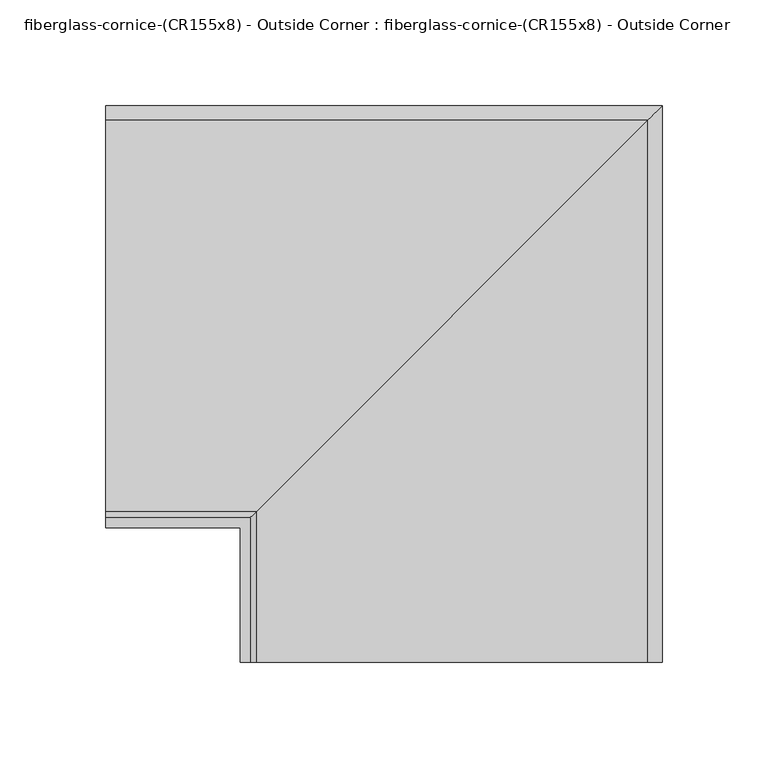
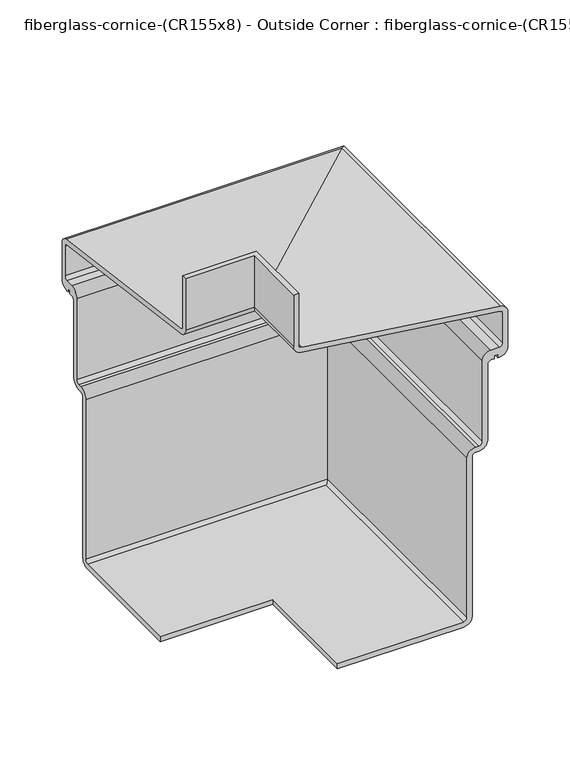
"""IFC4 building model written with IfcOpenShell, lengths in millimetres: furniture geometry, fiberglass-cornice-(CR155x8) - Outside Corner : fiberglass-cornice-(CR155x8) - Outside Corner."""

from ifc_helpers import new_model, si_unit, frame, origin, place, context, project, spatial, polyline, circle_curve, ellipse_curve, source, transform, mapped, element, save
from ifc_brep_helpers import plane_surface, cylinder_surface, revolved_surface, advanced_brep


def fiberglass_cornice_cr155x8_outside_corner_fiberglass_cornice_874af6c9(model_context):
    return source(origin(), model_context, "Body", "AdvancedBrep", [
        advanced_brep(
        [(-196.9488213, 106.4314646, 330.1999904), (-196.9488213, 106.4314646, 279.5805109), (-196.9488213, 109.1902045, 276.4329162), (-196.9488213, 294.2754054, 251.9559474), (-196.9488213, 301.2321781, 244.0185913), (-196.9488213, 301.2321781, 210.0445639), (-196.9488213, 293.2257136, 202.0380993), (-196.9488213, 291.5220546, 202.0380993), (-196.9488213, 291.5220546, 205.2130993), (-196.9488213, 288.5321781, 205.2130993), (-196.9488213, 288.5321781, 202.0380993), (-196.9488213, 285.3941826, 202.0380993), (-196.9488213, 282.2191826, 198.8630993), (-196.9488213, 282.2191826, 124.2598077), (-196.9488213, 274.212718, 116.2533432), (-196.9488213, 271.1066837, 116.2533432), (-196.9488213, 267.9316837, 113.0783432), (-196.9488213, 267.9316837, -43.9554119), (-196.9488213, 259.9252192, -51.9618765), (-196.9488213, 142.5191837, -51.9618765), (-196.9488213, 142.5191837, -47.1304119), (-196.9488213, 259.9252192, -47.1304119), (-196.9488213, 263.1002192, -43.9554119), (-196.9488213, 263.1002192, 113.0783432), (-196.9488213, 271.1066837, 121.0848077), (-196.9488213, 274.212718, 121.0848077), (-196.9488213, 277.387718, 124.2598077), (-196.9488213, 277.387718, 203.6945639), (-196.9488213, 285.3941826, 211.7010285), (-196.9488213, 293.2257136, 211.7010285), (-196.9488213, 296.4007136, 214.8760285), (-196.9488213, 296.4007136, 244.0185913), (-196.9488213, 293.6419736, 247.166186), (-196.9488213, 108.5567728, 271.6431548), (-196.9488213, 101.6, 279.5805109), (-196.9488213, 101.6, 330.1999904), (-128.518138, 38.0007813, 330.1999904), (-133.3496026, 38.0007813, 330.1999904), (-133.3496026, 38.0007813, 279.5805109), (-126.3928298, 38.0007813, 271.6431548), (58.692371, 38.0007813, 247.166186), (61.451111, 38.0007813, 244.0185913), (61.451111, 38.0007813, 214.8760285), (58.276111, 38.0007813, 211.7010285), (50.44458, 38.0007813, 211.7010285), (42.4381154, 38.0007813, 203.6945639), (42.4381154, 38.0007813, 124.2598077), (39.2631154, 38.0007813, 121.0848077), (36.1570811, 38.0007813, 121.0848077), (28.1506166, 38.0007813, 113.0783432), (28.1506166, 38.0007813, -43.9554119), (24.9756166, 38.0007813, -47.1304119), (-92.4304189, 38.0007813, -47.1304119), (-92.4304189, 38.0007813, -51.9618765), (24.9756166, 38.0007813, -51.9618765), (32.9820811, 38.0007813, -43.9554119), (32.9820811, 38.0007813, 113.0783432), (36.1570811, 38.0007813, 116.2533432), (39.2631154, 38.0007813, 116.2533432), (47.26958, 38.0007813, 124.2598077), (47.26958, 38.0007813, 198.8630993), (50.44458, 38.0007813, 202.0380993), (53.5825755, 38.0007813, 202.0380993), (53.5825755, 38.0007813, 205.2130993), (56.572452, 38.0007813, 205.2130993), (56.572452, 38.0007813, 202.0380993), (58.276111, 38.0007813, 202.0380993), (66.2825755, 38.0007813, 210.0445639), (66.2825755, 38.0007813, 244.0185913), (59.3258028, 38.0007813, 251.9559474), (-125.7593981, 38.0007813, 276.4329162), (-128.518138, 38.0007813, 279.5805109), (-128.518138, 106.4314646, 330.1999904), (-128.518138, 106.4314646, 279.5805109), (-125.7593981, 109.1902045, 276.4329162), (59.3258028, 294.2754054, 251.9559474), (66.2825755, 301.2321781, 244.0185913), (66.2825755, 301.2321781, 210.0445639), (58.276111, 293.2257136, 202.0380993), (56.572452, 291.5220546, 202.0380993), (56.572452, 291.5220546, 205.2130993), (53.5825755, 288.5321781, 205.2130993), (53.5825755, 288.5321781, 202.0380993), (50.44458, 285.3941826, 202.0380993), (47.26958, 282.2191826, 198.8630993), (47.26958, 282.2191826, 124.2598077), (39.2631154, 274.212718, 116.2533432), (36.1570811, 271.1066837, 116.2533432), (32.9820811, 267.9316837, 113.0783432), (32.9820811, 267.9316837, -43.9554119), (24.9756166, 259.9252192, -51.9618765), (-92.4304189, 142.5191837, -51.9618765), (-92.4304189, 142.5191837, -47.1304119), (24.9756166, 259.9252192, -47.1304119), (28.1506166, 263.1002192, -43.9554119), (28.1506166, 263.1002192, 113.0783432), (36.1570811, 271.1066837, 121.0848077), (39.2631154, 274.212718, 121.0848077), (42.4381154, 277.387718, 124.2598077), (42.4381154, 277.387718, 203.6945639), (50.44458, 285.3941826, 211.7010285), (58.276111, 293.2257136, 211.7010285), (61.451111, 296.4007136, 214.8760285), (61.451111, 296.4007136, 244.0185913), (58.692371, 293.6419736, 247.166186), (-126.3928298, 108.5567728, 271.6431548), (-133.3496026, 101.6, 279.5805109), (-133.3496026, 101.6, 330.1999904)],
        [
            (0, 1),
            (1, 2, circle_curve(frame((-196.9488213, 109.6064646, 279.5805109), z_axis=(1.0, 0.0, 0.0), x_axis=(0.0, 1.0, 0.0)), 3.175)),
            (2, 3),
            (3, 4, circle_curve(frame((-196.9488213, 293.2257136, 244.0185913), z_axis=(-1.0, 0.0, 0.0), x_axis=(0.0, 1.0, 0.0)), 8.0064646)),
            (4, 5),
            (5, 6, circle_curve(frame((-196.9488213, 293.2257136, 210.0445639), z_axis=(-1.0, 0.0, 0.0), x_axis=(0.0, 1.0, 0.0)), 8.0064646)),
            (6, 7),
            (7, 8),
            (8, 9),
            (9, 10),
            (10, 11),
            (11, 12, circle_curve(frame((-196.9488213, 285.3941826, 198.8630993), z_axis=(1.0, 0.0, 0.0), x_axis=(0.0, 1.0, 0.0)), 3.175)),
            (12, 13),
            (13, 14, circle_curve(frame((-196.9488213, 274.212718, 124.2598077), z_axis=(-1.0, 0.0, 0.0), x_axis=(0.0, 1.0, 0.0)), 8.0064646)),
            (14, 15),
            (15, 16, circle_curve(frame((-196.9488213, 271.1066837, 113.0783432), z_axis=(1.0, 0.0, 0.0), x_axis=(0.0, 1.0, 0.0)), 3.175)),
            (16, 17),
            (17, 18, circle_curve(frame((-196.9488213, 259.9252192, -43.9554119), z_axis=(-1.0, 0.0, 0.0), x_axis=(0.0, 1.0, 0.0)), 8.0064646)),
            (18, 19),
            (19, 20),
            (20, 21),
            (21, 22, circle_curve(frame((-196.9488213, 259.9252192, -43.9554119), z_axis=(1.0, 0.0, 0.0), x_axis=(0.0, 1.0, 0.0)), 3.175)),
            (22, 23),
            (23, 24, circle_curve(frame((-196.9488213, 271.1066837, 113.0783432), z_axis=(-1.0, 0.0, 0.0), x_axis=(0.0, 1.0, 0.0)), 8.0064646)),
            (24, 25),
            (25, 26, circle_curve(frame((-196.9488213, 274.212718, 124.2598077), z_axis=(1.0, 0.0, 0.0), x_axis=(0.0, 1.0, 0.0)), 3.175)),
            (26, 27),
            (27, 28, circle_curve(frame((-196.9488213, 285.3941826, 203.6945639), z_axis=(-1.0, 0.0, 0.0), x_axis=(0.0, 1.0, 0.0)), 8.0064646)),
            (28, 29),
            (29, 30, circle_curve(frame((-196.9488213, 293.2257136, 214.8760285), z_axis=(1.0, 0.0, 0.0), x_axis=(0.0, 1.0, 0.0)), 3.175)),
            (30, 31),
            (31, 32, circle_curve(frame((-196.9488213, 293.2257136, 244.0185913), z_axis=(1.0, 0.0, 0.0), x_axis=(0.0, 1.0, 0.0)), 3.175)),
            (32, 33),
            (33, 34, circle_curve(frame((-196.9488213, 109.6064646, 279.5805109), z_axis=(-1.0, 0.0, 0.0), x_axis=(0.0, 1.0, 0.0)), 8.0064646)),
            (34, 35),
            (35, 0),
            (36, 37),
            (37, 38),
            (38, 39, circle_curve(frame((-125.343138, 38.0007813, 279.5805109), z_axis=(0.0, -1.0, 0.0), x_axis=(1.0, 0.0, 0.0)), 8.0064646)),
            (39, 40),
            (40, 41, circle_curve(frame((58.276111, 38.0007813, 244.0185913), z_axis=(0.0, 1.0, 0.0), x_axis=(1.0, 0.0, 0.0)), 3.175)),
            (41, 42),
            (42, 43, circle_curve(frame((58.276111, 38.0007813, 214.8760285), z_axis=(0.0, 1.0, 0.0), x_axis=(1.0, 0.0, 0.0)), 3.175)),
            (43, 44),
            (44, 45, circle_curve(frame((50.44458, 38.0007813, 203.6945639), z_axis=(0.0, -1.0, 0.0), x_axis=(1.0, 0.0, 0.0)), 8.0064646)),
            (45, 46),
            (46, 47, circle_curve(frame((39.2631154, 38.0007813, 124.2598077), z_axis=(0.0, 1.0, 0.0), x_axis=(1.0, 0.0, 0.0)), 3.175)),
            (47, 48),
            (48, 49, circle_curve(frame((36.1570811, 38.0007813, 113.0783432), z_axis=(0.0, -1.0, 0.0), x_axis=(1.0, 0.0, 0.0)), 8.0064646)),
            (49, 50),
            (50, 51, circle_curve(frame((24.9756166, 38.0007813, -43.9554119), z_axis=(0.0, 1.0, 0.0), x_axis=(1.0, 0.0, 0.0)), 3.175)),
            (51, 52),
            (52, 53),
            (53, 54),
            (54, 55, circle_curve(frame((24.9756166, 38.0007813, -43.9554119), z_axis=(0.0, -1.0, 0.0), x_axis=(1.0, 0.0, 0.0)), 8.0064646)),
            (55, 56),
            (56, 57, circle_curve(frame((36.1570811, 38.0007813, 113.0783432), z_axis=(0.0, 1.0, 0.0), x_axis=(1.0, 0.0, 0.0)), 3.175)),
            (57, 58),
            (58, 59, circle_curve(frame((39.2631154, 38.0007813, 124.2598077), z_axis=(0.0, -1.0, 0.0), x_axis=(1.0, 0.0, 0.0)), 8.0064646)),
            (59, 60),
            (60, 61, circle_curve(frame((50.44458, 38.0007813, 198.8630993), z_axis=(0.0, 1.0, 0.0), x_axis=(1.0, 0.0, 0.0)), 3.175)),
            (61, 62),
            (62, 63),
            (63, 64),
            (64, 65),
            (65, 66),
            (66, 67, circle_curve(frame((58.276111, 38.0007813, 210.0445639), z_axis=(0.0, -1.0, 0.0), x_axis=(1.0, 0.0, 0.0)), 8.0064646)),
            (67, 68),
            (68, 69, circle_curve(frame((58.276111, 38.0007813, 244.0185913), z_axis=(0.0, -1.0, 0.0), x_axis=(1.0, 0.0, 0.0)), 8.0064646)),
            (69, 70),
            (70, 71, circle_curve(frame((-125.343138, 38.0007813, 279.5805109), z_axis=(0.0, 1.0, 0.0), x_axis=(1.0, 0.0, 0.0)), 3.175)),
            (71, 36),
            (0, 72),
            (72, 73),
            (73, 1),
            (73, 74, ellipse_curve(frame((-125.343138, 109.6064646, 279.5805109), z_axis=(0.7071067811865563, -0.7071067811865387, 0.0), x_axis=(0.7071067811865387, 0.7071067811865565, 0.0)), 4.4901281, 3.175)),
            (74, 2),
            (74, 75),
            (75, 3),
            (75, 76, ellipse_curve(frame((58.276111, 293.2257136, 244.0185913), z_axis=(-0.7071067811865563, 0.7071067811865387, 0.0), x_axis=(-0.7071067811865387, -0.7071067811865565, 0.0)), 11.3228508, 8.0064646)),
            (76, 4),
            (76, 77),
            (77, 5),
            (77, 78, ellipse_curve(frame((58.276111, 293.2257136, 210.0445639), z_axis=(-0.7071067811865563, 0.7071067811865387, 0.0), x_axis=(-0.7071067811865387, -0.7071067811865565, 0.0)), 11.3228508, 8.0064646)),
            (78, 6),
            (78, 66),
            (65, 79),
            (79, 7),
            (79, 80),
            (80, 8),
            (80, 64),
            (63, 81),
            (81, 9),
            (81, 82),
            (82, 10),
            (82, 62),
            (61, 83),
            (83, 11),
            (83, 84, ellipse_curve(frame((50.44458, 285.3941826, 198.8630993), z_axis=(0.7071067811865563, -0.7071067811865387, 0.0), x_axis=(0.7071067811865387, 0.7071067811865565, 0.0)), 4.4901281, 3.175)),
            (84, 12),
            (84, 85),
            (85, 13),
            (85, 86, ellipse_curve(frame((39.2631154, 274.212718, 124.2598077), z_axis=(-0.7071067811865563, 0.7071067811865387, 0.0), x_axis=(-0.7071067811865387, -0.7071067811865565, 0.0)), 11.3228508, 8.0064646)),
            (86, 14),
            (86, 58),
            (57, 87),
            (87, 15),
            (87, 88, ellipse_curve(frame((36.1570811, 271.1066837, 113.0783432), z_axis=(0.7071067811865563, -0.7071067811865387, 0.0), x_axis=(0.7071067811865387, 0.7071067811865565, 0.0)), 4.4901281, 3.175)),
            (88, 16),
            (88, 89),
            (89, 17),
            (89, 90, ellipse_curve(frame((24.9756166, 259.9252192, -43.9554119), z_axis=(-0.7071067811865563, 0.7071067811865387, 0.0), x_axis=(-0.7071067811865387, -0.7071067811865565, 0.0)), 11.3228508, 8.0064646)),
            (90, 18),
            (90, 54),
            (53, 91),
            (91, 19),
            (91, 92),
            (92, 20),
            (92, 52),
            (51, 93),
            (93, 21),
            (93, 94, ellipse_curve(frame((24.9756166, 259.9252192, -43.9554119), z_axis=(0.7071067811865563, -0.7071067811865387, 0.0), x_axis=(0.7071067811865387, 0.7071067811865565, 0.0)), 4.4901281, 3.175)),
            (94, 22),
            (94, 95),
            (95, 23),
            (95, 96, ellipse_curve(frame((36.1570811, 271.1066837, 113.0783432), z_axis=(-0.7071067811865563, 0.7071067811865387, 0.0), x_axis=(-0.7071067811865387, -0.7071067811865565, 0.0)), 11.3228508, 8.0064646)),
            (96, 24),
            (96, 48),
            (47, 97),
            (97, 25),
            (97, 98, ellipse_curve(frame((39.2631154, 274.212718, 124.2598077), z_axis=(0.7071067811865563, -0.7071067811865387, 0.0), x_axis=(0.7071067811865387, 0.7071067811865565, 0.0)), 4.4901281, 3.175)),
            (98, 26),
            (98, 99),
            (99, 27),
            (99, 100, ellipse_curve(frame((50.44458, 285.3941826, 203.6945639), z_axis=(-0.7071067811865563, 0.7071067811865387, 0.0), x_axis=(-0.7071067811865387, -0.7071067811865565, 0.0)), 11.3228508, 8.0064646)),
            (100, 28),
            (100, 44),
            (43, 101),
            (101, 29),
            (101, 102, ellipse_curve(frame((58.276111, 293.2257136, 214.8760285), z_axis=(0.7071067811865563, -0.7071067811865387, 0.0), x_axis=(0.7071067811865387, 0.7071067811865565, 0.0)), 4.4901281, 3.175)),
            (102, 30),
            (102, 103),
            (103, 31),
            (103, 104, ellipse_curve(frame((58.276111, 293.2257136, 244.0185913), z_axis=(0.7071067811865563, -0.7071067811865387, 0.0), x_axis=(0.7071067811865387, 0.7071067811865565, 0.0)), 4.4901281, 3.175)),
            (104, 32),
            (104, 105),
            (105, 33),
            (105, 106, ellipse_curve(frame((-125.343138, 109.6064646, 279.5805109), z_axis=(-0.7071067811865563, 0.7071067811865387, 0.0), x_axis=(-0.7071067811865387, -0.7071067811865565, 0.0)), 11.3228508, 8.0064646)),
            (106, 34),
            (106, 107),
            (107, 35),
            (107, 37),
            (36, 72),
            (71, 73),
            (70, 74),
            (69, 75),
            (68, 76),
            (67, 77),
            (60, 84),
            (59, 85),
            (56, 88),
            (55, 89),
            (50, 94),
            (49, 95),
            (46, 98),
            (45, 99),
            (42, 102),
            (41, 103),
            (40, 104),
            (39, 105),
            (38, 106),
        ],
        [
            plane_surface(frame((-196.9488213, 101.6, 330.1999904), z_axis=(-1.0, 0.0, 0.0), x_axis=(0.0, 0.0, 1.0))),
            plane_surface(frame((-133.3496026, 38.0007813, 330.1999904), z_axis=(0.0, -1.0, 0.0), x_axis=(0.0, 0.0, 1.0))),
            plane_surface(frame((-196.9488213, 106.4314646, 330.1999904), z_axis=(0.0, 1.0, 0.0), x_axis=(1.0, 0.0, 0.0))),
            revolved_surface(polyline([(-122.16813797209377, 112.78146459999999, 279.5805109), (-196.9488213, 112.78146459999999, 279.5805109)]), (-196.9488213, 109.6064646, 279.5805109), (1.0, 0.0, 0.0)),
            plane_surface(frame((-196.9488213, 109.1902045, 276.4329162), z_axis=(0.0, 0.13110553246130752, 0.9913684175714077), x_axis=(1.0, 0.0, 0.0))),
            cylinder_surface(frame((-196.9488213, 293.2257136, 244.0185913), z_axis=(-1.0, 0.0, 0.0), x_axis=(0.0, 1.0, 0.0)), 8.0064646),
            plane_surface(frame((-196.9488213, 301.2321781, 244.0185913), z_axis=(0.0, 1.0, 0.0), x_axis=(1.0, 0.0, 0.0))),
            cylinder_surface(frame((-196.9488213, 293.2257136, 210.0445639), z_axis=(-1.0, 0.0, 0.0), x_axis=(0.0, 1.0, 0.0)), 8.0064646),
            plane_surface(frame((-196.9488213, 293.2257136, 202.0380993), z_axis=(0.0, 0.0, -1.0), x_axis=(1.0, 0.0, 0.0))),
            plane_surface(frame((-196.9488213, 291.5220546, 202.0380993), z_axis=(0.0, -1.0, 0.0), x_axis=(1.0, 0.0, 0.0))),
            plane_surface(frame((-196.9488213, 291.5220546, 205.2130993), z_axis=(0.0, 0.0, -1.0), x_axis=(1.0, 0.0, 0.0))),
            plane_surface(frame((-196.9488213, 288.5321781, 205.2130993), z_axis=(0.0, 1.0, 0.0), x_axis=(1.0, 0.0, 0.0))),
            plane_surface(frame((-196.9488213, 288.5321781, 202.0380993), z_axis=(0.0, 0.0, -1.0), x_axis=(1.0, 0.0, 0.0))),
            revolved_surface(polyline([(53.61958002790624, 288.56918260000003, 198.8630993), (-196.9488213, 288.56918260000003, 198.8630993)]), (-196.9488213, 285.3941826, 198.8630993), (1.0, 0.0, 0.0)),
            plane_surface(frame((-196.9488213, 282.2191826, 198.8630993), z_axis=(0.0, 1.0, 0.0), x_axis=(1.0, 0.0, 0.0))),
            cylinder_surface(frame((-196.9488213, 274.212718, 124.2598077), z_axis=(-1.0, 0.0, 0.0), x_axis=(0.0, 1.0, 0.0)), 8.0064646),
            plane_surface(frame((-196.9488213, 274.212718, 116.2533432), z_axis=(0.0, 0.0, -1.0), x_axis=(1.0, 0.0, 0.0))),
            revolved_surface(polyline([(39.332081127906235, 274.28168370000003, 113.0783432), (-196.9488213, 274.28168370000003, 113.0783432)]), (-196.9488213, 271.1066837, 113.0783432), (1.0, 0.0, 0.0)),
            plane_surface(frame((-196.9488213, 267.9316837, 113.0783432), z_axis=(0.0, 1.0, 0.0), x_axis=(1.0, 0.0, 0.0))),
            cylinder_surface(frame((-196.9488213, 259.9252192, -43.9554119), z_axis=(-1.0, 0.0, 0.0), x_axis=(0.0, 1.0, 0.0)), 8.0064646),
            plane_surface(frame((-196.9488213, 259.9252192, -51.9618765), z_axis=(0.0, 0.0, -1.0), x_axis=(1.0, 0.0, 0.0))),
            plane_surface(frame((-196.9488213, 142.5191837, -51.9618765), z_axis=(0.0, -1.0, 0.0), x_axis=(1.0, 0.0, 0.0))),
            plane_surface(frame((-196.9488213, 142.5191837, -47.1304119), z_axis=(0.0, 0.0, 1.0), x_axis=(1.0, 0.0, 0.0))),
            revolved_surface(polyline([(28.15061662790623, 263.1002192, -43.9554119), (-196.9488213, 263.1002192, -43.9554119)]), (-196.9488213, 259.9252192, -43.9554119), (1.0, 0.0, 0.0)),
            plane_surface(frame((-196.9488213, 263.1002192, -43.9554119), z_axis=(0.0, -1.0, 0.0), x_axis=(1.0, 0.0, 0.0))),
            cylinder_surface(frame((-196.9488213, 271.1066837, 113.0783432), z_axis=(-1.0, 0.0, 0.0), x_axis=(0.0, 1.0, 0.0)), 8.0064646),
            plane_surface(frame((-196.9488213, 271.1066837, 121.0848077), z_axis=(0.0, 0.0, 1.0), x_axis=(1.0, 0.0, 0.0))),
            revolved_surface(polyline([(42.43811542790624, 277.387718, 124.2598077), (-196.9488213, 277.387718, 124.2598077)]), (-196.9488213, 274.212718, 124.2598077), (1.0, 0.0, 0.0)),
            plane_surface(frame((-196.9488213, 277.387718, 124.2598077), z_axis=(0.0, -1.0, 0.0), x_axis=(1.0, 0.0, 0.0))),
            cylinder_surface(frame((-196.9488213, 285.3941826, 203.6945639), z_axis=(-1.0, 0.0, 0.0), x_axis=(0.0, 1.0, 0.0)), 8.0064646),
            plane_surface(frame((-196.9488213, 285.3941826, 211.7010285), z_axis=(0.0, 0.0, 1.0), x_axis=(1.0, 0.0, 0.0))),
            revolved_surface(polyline([(61.451111027906194, 296.4007136, 214.8760285), (-196.9488213, 296.4007136, 214.8760285)]), (-196.9488213, 293.2257136, 214.8760285), (1.0, 0.0, 0.0)),
            plane_surface(frame((-196.9488213, 296.4007136, 214.8760285), z_axis=(0.0, -1.0, 0.0), x_axis=(1.0, 0.0, 0.0))),
            revolved_surface(polyline([(61.451111027906194, 296.4007136, 244.0185913), (-196.9488213, 296.4007136, 244.0185913)]), (-196.9488213, 293.2257136, 244.0185913), (1.0, 0.0, 0.0)),
            plane_surface(frame((-196.9488213, 293.6419736, 247.166186), z_axis=(0.0, -0.13110553246131001, -0.9913684175714074), x_axis=(1.0, 0.0, 0.0))),
            cylinder_surface(frame((-196.9488213, 109.6064646, 279.5805109), z_axis=(-1.0, 0.0, 0.0), x_axis=(0.0, 1.0, 0.0)), 8.0064646),
            plane_surface(frame((-196.9488213, 101.6, 279.5805109), z_axis=(0.0, -1.0, 0.0), x_axis=(1.0, 0.0, 0.0))),
            plane_surface(frame((-196.9488213, 101.6, 330.1999904), z_axis=(0.0, 0.0, 1.0), x_axis=(1.0, 0.0, 0.0))),
            plane_surface(frame((-128.518138, 106.4314646, 330.1999904), z_axis=(1.0, 0.0, 0.0), x_axis=(0.0, -1.0, 0.0))),
            revolved_surface(polyline([(-122.168138, 38.0007813, 279.5805109), (-122.168138, 112.7814646279063, 279.5805109)]), (-125.343138, 101.6, 279.5805109), (0.0, -1.0, 0.0)),
            plane_surface(frame((-125.7593981, 109.1902045, 276.4329162), z_axis=(0.13110553246130754, 0.0, 0.9913684175714077), x_axis=(0.0, -1.0, 0.0))),
            cylinder_surface(frame((58.276111, 101.6, 244.0185913), z_axis=(0.0, 1.0, 0.0), x_axis=(1.0, 0.0, 0.0)), 8.0064646),
            plane_surface(frame((66.2825755, 301.2321781, 244.0185913), z_axis=(1.0, 0.0, 0.0), x_axis=(0.0, -1.0, 0.0))),
            cylinder_surface(frame((58.276111, 101.6, 210.0445639), z_axis=(0.0, 1.0, 0.0), x_axis=(1.0, 0.0, 0.0)), 8.0064646),
            plane_surface(frame((56.572452, 291.5220546, 202.0380993), z_axis=(-1.0, 0.0, 0.0), x_axis=(0.0, -1.0, 0.0))),
            plane_surface(frame((53.5825755, 288.5321781, 205.2130993), z_axis=(1.0, 0.0, 0.0), x_axis=(0.0, -1.0, 0.0))),
            revolved_surface(polyline([(53.61958, 38.0007813, 198.8630993), (53.61958, 288.56918262790634, 198.8630993)]), (50.44458, 101.6, 198.8630993), (0.0, -1.0, 0.0)),
            plane_surface(frame((47.26958, 282.2191826, 198.8630993), z_axis=(1.0, 0.0, 0.0), x_axis=(0.0, -1.0, 0.0))),
            cylinder_surface(frame((39.2631154, 101.6, 124.2598077), z_axis=(0.0, 1.0, 0.0), x_axis=(1.0, 0.0, 0.0)), 8.0064646),
            revolved_surface(polyline([(39.332081099999996, 38.0007813, 113.0783432), (39.332081099999996, 274.28168372790634, 113.0783432)]), (36.1570811, 101.6, 113.0783432), (0.0, -1.0, 0.0)),
            plane_surface(frame((32.9820811, 267.9316837, 113.0783432), z_axis=(1.0, 0.0, 0.0), x_axis=(0.0, -1.0, 0.0))),
            cylinder_surface(frame((24.9756166, 101.6, -43.9554119), z_axis=(0.0, 1.0, 0.0), x_axis=(1.0, 0.0, 0.0)), 8.0064646),
            plane_surface(frame((-92.4304189, 142.5191837, -51.9618765), z_axis=(-1.0, 0.0, 0.0), x_axis=(0.0, -1.0, 0.0))),
            revolved_surface(polyline([(28.1506166, 38.0007813, -43.9554119), (28.1506166, 263.10021922790634, -43.9554119)]), (24.9756166, 101.6, -43.9554119), (0.0, -1.0, 0.0)),
            plane_surface(frame((28.1506166, 263.1002192, -43.9554119), z_axis=(-1.0, 0.0, 0.0), x_axis=(0.0, -1.0, 0.0))),
            cylinder_surface(frame((36.1570811, 101.6, 113.0783432), z_axis=(0.0, 1.0, 0.0), x_axis=(1.0, 0.0, 0.0)), 8.0064646),
            revolved_surface(polyline([(42.438115399999994, 38.0007813, 124.2598077), (42.438115399999994, 277.3877180279063, 124.2598077)]), (39.2631154, 101.6, 124.2598077), (0.0, -1.0, 0.0)),
            plane_surface(frame((42.4381154, 277.387718, 124.2598077), z_axis=(-1.0, 0.0, 0.0), x_axis=(0.0, -1.0, 0.0))),
            cylinder_surface(frame((50.44458, 101.6, 203.6945639), z_axis=(0.0, 1.0, 0.0), x_axis=(1.0, 0.0, 0.0)), 8.0064646),
            revolved_surface(polyline([(61.451111, 38.0007813, 214.8760285), (61.451111, 296.4007136279063, 214.8760285)]), (58.276111, 101.6, 214.8760285), (0.0, -1.0, 0.0)),
            plane_surface(frame((61.451111, 296.4007136, 214.8760285), z_axis=(-1.0, 0.0, 0.0), x_axis=(0.0, -1.0, 0.0))),
            revolved_surface(polyline([(61.451111, 38.0007813, 244.0185913), (61.451111, 296.4007136279063, 244.0185913)]), (58.276111, 101.6, 244.0185913), (0.0, -1.0, 0.0)),
            plane_surface(frame((58.692371, 293.6419736, 247.166186), z_axis=(-0.13110553246131004, 0.0, -0.9913684175714074), x_axis=(0.0, -1.0, 0.0))),
            cylinder_surface(frame((-125.343138, 101.6, 279.5805109), z_axis=(0.0, 1.0, 0.0), x_axis=(1.0, 0.0, 0.0)), 8.0064646),
            plane_surface(frame((-133.3496026, 101.6, 279.5805109), z_axis=(-1.0, 0.0, 0.0), x_axis=(0.0, -1.0, 0.0))),
        ],
        [
            (0, [[1, 2, 3, 4, 5, 6, 7, 8, 9, 10, 11, 12, 13, 14, 15, 16, 17, 18, 19, 20, 21, 22, 23, 24, 25, 26, 27, 28, 29, 30, 31, 32, 33, 34, 35, 36]]),
            (1, [[37, 38, 39, 40, 41, 42, 43, 44, 45, 46, 47, 48, 49, 50, 51, 52, 53, 54, 55, 56, 57, 58, 59, 60, 61, 62, 63, 64, 65, 66, 67, 68, 69, 70, 71, 72]]),
            (2, [[-1, 73, 74, 75]]),
            (3, [[-2, -75, 76, 77]]),
            (4, [[-3, -77, 78, 79]]),
            (5, [[-4, -79, 80, 81]]),
            (6, [[-5, -81, 82, 83]]),
            (7, [[-6, -83, 84, 85]]),
            (8, [[-7, -85, 86, -66, 87, 88]]),
            (9, [[-8, -88, 89, 90]]),
            (10, [[-9, -90, 91, -64, 92, 93]]),
            (11, [[-10, -93, 94, 95]]),
            (12, [[-11, -95, 96, -62, 97, 98]]),
            (13, [[-12, -98, 99, 100]]),
            (14, [[-13, -100, 101, 102]]),
            (15, [[-14, -102, 103, 104]]),
            (16, [[-15, -104, 105, -58, 106, 107]]),
            (17, [[-16, -107, 108, 109]]),
            (18, [[-17, -109, 110, 111]]),
            (19, [[-18, -111, 112, 113]]),
            (20, [[-19, -113, 114, -54, 115, 116]]),
            (21, [[-20, -116, 117, 118]]),
            (22, [[-21, -118, 119, -52, 120, 121]]),
            (23, [[-22, -121, 122, 123]]),
            (24, [[-23, -123, 124, 125]]),
            (25, [[-24, -125, 126, 127]]),
            (26, [[-25, -127, 128, -48, 129, 130]]),
            (27, [[-26, -130, 131, 132]]),
            (28, [[-27, -132, 133, 134]]),
            (29, [[-28, -134, 135, 136]]),
            (30, [[-29, -136, 137, -44, 138, 139]]),
            (31, [[-30, -139, 140, 141]]),
            (32, [[-31, -141, 142, 143]]),
            (33, [[-32, -143, 144, 145]]),
            (34, [[-33, -145, 146, 147]]),
            (35, [[-34, -147, 148, 149]]),
            (36, [[-35, -149, 150, 151]]),
            (37, [[-36, -151, 152, -37, 153, -73]]),
            (38, [[-74, -153, -72, 154]]),
            (39, [[-76, -154, -71, 155]]),
            (40, [[-78, -155, -70, 156]]),
            (41, [[-80, -156, -69, 157]]),
            (42, [[-82, -157, -68, 158]]),
            (43, [[-84, -158, -67, -86]]),
            (44, [[-89, -87, -65, -91]]),
            (45, [[-94, -92, -63, -96]]),
            (46, [[-99, -97, -61, 159]]),
            (47, [[-101, -159, -60, 160]]),
            (48, [[-103, -160, -59, -105]]),
            (49, [[-108, -106, -57, 161]]),
            (50, [[-110, -161, -56, 162]]),
            (51, [[-112, -162, -55, -114]]),
            (52, [[-117, -115, -53, -119]]),
            (53, [[-122, -120, -51, 163]]),
            (54, [[-124, -163, -50, 164]]),
            (55, [[-126, -164, -49, -128]]),
            (56, [[-131, -129, -47, 165]]),
            (57, [[-133, -165, -46, 166]]),
            (58, [[-135, -166, -45, -137]]),
            (59, [[-140, -138, -43, 167]]),
            (60, [[-142, -167, -42, 168]]),
            (61, [[-144, -168, -41, 169]]),
            (62, [[-146, -169, -40, 170]]),
            (63, [[-148, -170, -39, 171]]),
            (64, [[-150, -171, -38, -152]]),
        ],
    ),
    ])


if __name__ == "__main__":
    model = new_model("IFC4")
    model_context = context("Model", 3, world=origin())
    ifc_project = project(units=[si_unit("LENGTHUNIT", "METRE", prefix="MILLI")], contexts=[model_context])
    site = spatial("IfcSite", under=ifc_project)
    building = spatial("IfcBuilding", under=site)
    placement = place(None, origin())
    fiberglass_cornice_cr155x8_outside_corner_fiberglass_cornice_shape = fiberglass_cornice_cr155x8_outside_corner_fiberglass_cornice_874af6c9(model_context)
    element("IfcFurniture", 1, ObjectType="fiberglass-cornice-(CR155x8) - Outside Corner : fiberglass-cornice-(CR155x8) - Outside Corner", at=placement, inside=building, context=model_context, shape_type="MappedRepresentation", body=[
        mapped(fiberglass_cornice_cr155x8_outside_corner_fiberglass_cornice_shape, transform((0.0, 0.0, 0.0), x_axis=(1.0, 0.0, 0.0), y_axis=(0.0, 1.0, 0.0), z_axis=(0.0, 0.0, 1.0))),
    ])
    save(model, "model.ifc")
